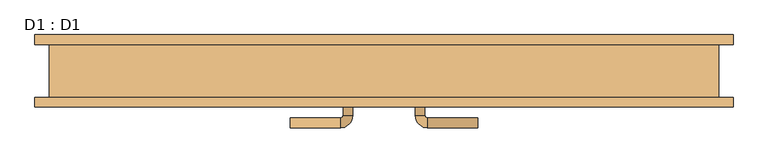
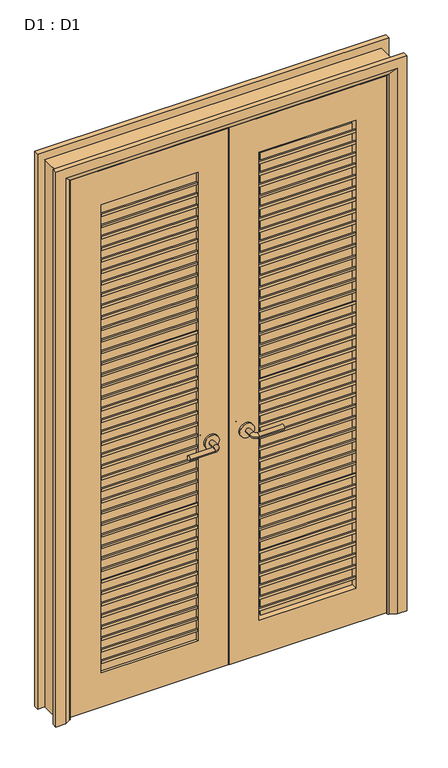
"""IFC4 building model written with IfcOpenShell, lengths in millimetres: door geometry, D1 : D1."""

from ifc_helpers import new_model, si_unit, point, frame, frame_2d, origin, place, context, project, spatial, polyline, circle_curve, ellipse_curve, trimmed, segment, composite_curve, outline, extrude, faceted_brep, source, transform, mapped, element, save
from ifc_brep_helpers import plane_surface, cylinder_surface, revolved_surface, advanced_brep


def d1_d1_94d621b8(model_context):
    return source(origin(), model_context, "Body", "SolidModel", [
        advanced_brep(
        [(-65.0, -30.0, 1007.0), (-85.0, -30.0, 1007.0), (-85.0, 0.0, 1007.0), (-65.0, 0.0, 1007.0), (-90.0, 5.0, 1007.0), (-90.0, 25.0, 1007.0), (-195.0, 25.0, 1007.0), (-195.0, 5.0, 1007.0)],
        [
            (0, 1, circle_curve(frame((-75.0, -30.0, 1007.0), z_axis=(0.0, -1.0, 0.0), x_axis=(-1.0, 0.0, 0.0)), 10.0)),
            (1, 0, circle_curve(frame((-75.0, -30.0, 1007.0), z_axis=(0.0, -1.0, 0.0), x_axis=(-1.0, 0.0, 0.0)), 10.0)),
            (1, 2),
            (2, 3, circle_curve(frame((-75.0, 0.0, 1007.0), z_axis=(0.0, -1.0, 0.0), x_axis=(-1.0, 0.0, 0.0)), 10.0)),
            (3, 0),
            (3, 2, circle_curve(frame((-75.0, 0.0, 1007.0), z_axis=(0.0, -1.0, 0.0), x_axis=(-1.0, 0.0, 0.0)), 10.0)),
            (4, 5, circle_curve(frame((-90.0, 15.0, 1007.0), z_axis=(1.0, 0.0, 0.0), x_axis=(0.0, -1.0, 0.0)), 10.0)),
            (5, 3, circle_curve(frame((-90.0, 0.0, 1007.0), z_axis=(0.0, 0.0, -1.0), x_axis=(1.0, 0.0, 0.0)), 25.0)),
            (2, 4, circle_curve(frame((-90.0, 0.0, 1007.0), z_axis=(0.0, 0.0, 1.0), x_axis=(1.0, 0.0, 0.0)), 5.0)),
            (5, 4, circle_curve(frame((-90.0, 15.0, 1007.0), z_axis=(1.0, 0.0, 0.0), x_axis=(0.0, -1.0, 0.0)), 10.0)),
            (6, 7, circle_curve(frame((-195.0, 15.0, 1007.0), z_axis=(-1.0, 0.0, 0.0), x_axis=(0.0, -1.0, 0.0)), 10.0)),
            (7, 6, circle_curve(frame((-195.0, 15.0, 1007.0), z_axis=(-1.0, 0.0, 0.0), x_axis=(0.0, -1.0, 0.0)), 10.0)),
            (4, 7),
            (6, 5),
        ],
        [
            plane_surface(frame((-75.0, -30.0, 1007.0), z_axis=(0.0, -1.0, 0.0), x_axis=(0.0, 0.0, 1.0))),
            cylinder_surface(frame((-75.0, -30.0, 1007.0), z_axis=(0.0, -1.0, 0.0), x_axis=(-1.0, 0.0, 0.0)), 10.0),
            revolved_surface(trimmed(ellipse_curve(frame((-75.0, 0.0, 1007.0), z_axis=(0.0, 1.0, 0.0), x_axis=(-1.0, 0.0, 0.0)), 10.0, 10.0), [point((-65.0, 0.0, 1007.0))], [point((-85.0, 0.0, 1007.0))], True, "CARTESIAN"), (-90.0, 0.0, 1007.0), (0.0, 0.0, -1.0)),
            revolved_surface(trimmed(ellipse_curve(frame((-75.0, 0.0, 1007.0), z_axis=(0.0, 1.0, 0.0), x_axis=(-1.0, 0.0, 0.0)), 10.0, 10.0), [point((-85.0, 0.0, 1007.0))], [point((-65.0, 0.0, 1007.0))], True, "CARTESIAN"), (-90.0, 0.0, 1007.0), (0.0, 0.0, -1.0)),
            plane_surface(frame((-195.0, 15.0, 1007.0), z_axis=(-1.0, 0.0, 0.0), x_axis=(0.0, 0.0, 1.0))),
            cylinder_surface(frame((-90.0, 15.0, 1007.0), z_axis=(1.0, 0.0, 0.0), x_axis=(0.0, -1.0, 0.0)), 10.0),
        ],
        [
            (0, [[1, 2]]),
            (1, [[3, 4, 5, -2]]),
            (1, [[-5, 6, -3, -1]]),
            (2, [[7, 8, -4, 9]]),
            (3, [[10, -9, -6, -8]]),
            (4, [[11, 12]]),
            (5, [[13, -11, 14, -7]]),
            (5, [[-14, -12, -13, -10]]),
        ],
    ),
        extrude(outline(composite_curve([segment(trimmed(circle_curve(frame_2d((1007.0, -72.5)), 30.0), [point((1007.0, -42.5))], [point((1007.0, -102.5))], False, "CARTESIAN"), True, "CONTINUOUS"), segment(trimmed(circle_curve(frame_2d((1007.0, -72.5)), 30.0), [point((1007.0, -102.5))], [point((1007.0, -42.5))], False, "CARTESIAN"), True, "CONTINUOUS")], self_intersect=False)), frame((0.0, -38.0, 0.0), z_axis=(0.0, 1.0, 0.0), x_axis=(0.0, 0.0, 1.0)), (0.0, 0.0, 1.0), 8.0),
        advanced_brep(
        [(-65.0, -63.0, 1007.0), (-85.0, -63.0, 1007.0), (-65.0, -93.0, 1007.0), (-85.0, -93.0, 1007.0), (-90.0, -98.0, 1007.0), (-90.0, -118.0, 1007.0), (-195.0, -118.0, 1007.0), (-195.0, -98.0, 1007.0)],
        [
            (0, 1, circle_curve(frame((-75.0, -63.0, 1007.0), z_axis=(0.0, 1.0, 0.0), x_axis=(-1.0, 0.0, 0.0)), 10.0)),
            (1, 0, circle_curve(frame((-75.0, -63.0, 1007.0), z_axis=(0.0, 1.0, 0.0), x_axis=(-1.0, 0.0, 0.0)), 10.0)),
            (0, 2),
            (2, 3, circle_curve(frame((-75.0, -93.0, 1007.0), z_axis=(0.0, 1.0, 0.0), x_axis=(-1.0, 0.0, 0.0)), 10.0)),
            (3, 1),
            (3, 2, circle_curve(frame((-75.0, -93.0, 1007.0), z_axis=(0.0, 1.0, 0.0), x_axis=(-1.0, 0.0, 0.0)), 10.0)),
            (4, 3, circle_curve(frame((-90.0, -93.0, 1007.0), z_axis=(0.0, 0.0, 1.0), x_axis=(1.0, 0.0, 0.0)), 5.0)),
            (2, 5, circle_curve(frame((-90.0, -93.0, 1007.0), z_axis=(0.0, 0.0, -1.0), x_axis=(1.0, 0.0, 0.0)), 25.0)),
            (5, 4, circle_curve(frame((-90.0, -108.0, 1007.0), z_axis=(1.0, 0.0, 0.0), x_axis=(0.0, 1.0, 0.0)), 10.0)),
            (4, 5, circle_curve(frame((-90.0, -108.0, 1007.0), z_axis=(1.0, 0.0, 0.0), x_axis=(0.0, 1.0, 0.0)), 10.0)),
            (6, 7, circle_curve(frame((-195.0, -108.0, 1007.0), z_axis=(-1.0, 0.0, 0.0), x_axis=(0.0, 1.0, 0.0)), 10.0)),
            (7, 6, circle_curve(frame((-195.0, -108.0, 1007.0), z_axis=(-1.0, 0.0, 0.0), x_axis=(0.0, 1.0, 0.0)), 10.0)),
            (5, 6),
            (7, 4),
        ],
        [
            plane_surface(frame((-75.0, -63.0, 1007.0), z_axis=(0.0, 1.0, 0.0), x_axis=(0.0, 0.0, 1.0))),
            cylinder_surface(frame((-75.0, -63.0, 1007.0), z_axis=(0.0, 1.0, 0.0), x_axis=(-1.0, 0.0, 0.0)), 10.0),
            revolved_surface(trimmed(ellipse_curve(frame((-75.0, -93.0, 1007.0), z_axis=(0.0, 1.0, 0.0), x_axis=(-1.0, 0.0, 0.0)), 10.0, 10.0), [point((-65.0, -93.0, 1007.0))], [point((-85.0, -93.0, 1007.0))], True, "CARTESIAN"), (-90.0, -93.0, 1007.0), (0.0, 0.0, -1.0)),
            revolved_surface(trimmed(ellipse_curve(frame((-75.0, -93.0, 1007.0), z_axis=(0.0, 1.0, 0.0), x_axis=(-1.0, 0.0, 0.0)), 10.0, 10.0), [point((-85.0, -93.0, 1007.0))], [point((-65.0, -93.0, 1007.0))], True, "CARTESIAN"), (-90.0, -93.0, 1007.0), (0.0, 0.0, -1.0)),
            plane_surface(frame((-195.0, -108.0, 1007.0), z_axis=(-1.0, 0.0, 0.0), x_axis=(0.0, 0.0, 1.0))),
            cylinder_surface(frame((-90.0, -108.0, 1007.0), z_axis=(1.0, 0.0, 0.0), x_axis=(0.0, 1.0, 0.0)), 10.0),
        ],
        [
            (0, [[1, 2]]),
            (1, [[-1, 3, 4, 5]]),
            (1, [[-2, -5, 6, -3]]),
            (2, [[7, -4, 8, 9]]),
            (3, [[-8, -6, -7, 10]]),
            (4, [[11, 12]]),
            (5, [[-9, 13, -12, 14]]),
            (5, [[-10, -14, -11, -13]]),
        ],
    ),
        extrude(outline(composite_curve([segment(trimmed(circle_curve(frame_2d((1007.0, -72.5)), 30.0), [point((1007.0, -42.5))], [point((1007.0, -102.5))], False, "CARTESIAN"), True, "CONTINUOUS"), segment(trimmed(circle_curve(frame_2d((1007.0, -72.5)), 30.0), [point((1007.0, -102.5))], [point((1007.0, -42.5))], False, "CARTESIAN"), True, "CONTINUOUS")], self_intersect=False)), frame((0.0, -63.0, 0.0), z_axis=(0.0, 1.0, 0.0), x_axis=(0.0, 0.0, 1.0)), (0.0, 0.0, 1.0), 8.0),
        advanced_brep(
        [(65.0, -30.0, 1007.0), (85.0, -30.0, 1007.0), (65.0, 0.0, 1007.0), (85.0, 0.0, 1007.0), (90.0, 5.0, 1007.0), (90.0, 25.0, 1007.0), (195.0, 25.0, 1007.0), (195.0, 5.0, 1007.0)],
        [
            (0, 1, circle_curve(frame((75.0, -30.0, 1007.0), z_axis=(0.0, -1.0, 0.0), x_axis=(1.0, 0.0, 0.0)), 10.0)),
            (1, 0, circle_curve(frame((75.0, -30.0, 1007.0), z_axis=(0.0, -1.0, 0.0), x_axis=(1.0, 0.0, 0.0)), 10.0)),
            (0, 2),
            (2, 3, circle_curve(frame((75.0, 0.0, 1007.0), z_axis=(0.0, -1.0, 0.0), x_axis=(1.0, 0.0, 0.0)), 10.0)),
            (3, 1),
            (3, 2, circle_curve(frame((75.0, 0.0, 1007.0), z_axis=(0.0, -1.0, 0.0), x_axis=(1.0, 0.0, 0.0)), 10.0)),
            (4, 3, circle_curve(frame((90.0, 0.0, 1007.0), z_axis=(0.0, 0.0, 1.0), x_axis=(-1.0, 0.0, 0.0)), 5.0)),
            (2, 5, circle_curve(frame((90.0, 0.0, 1007.0), z_axis=(0.0, 0.0, -1.0), x_axis=(-1.0, 0.0, 0.0)), 25.0)),
            (5, 4, circle_curve(frame((90.0, 15.0, 1007.0), z_axis=(-1.0, 0.0, 0.0), x_axis=(0.0, -1.0, 0.0)), 10.0)),
            (4, 5, circle_curve(frame((90.0, 15.0, 1007.0), z_axis=(-1.0, 0.0, 0.0), x_axis=(0.0, -1.0, 0.0)), 10.0)),
            (6, 7, circle_curve(frame((195.0, 15.0, 1007.0), z_axis=(1.0, 0.0, 0.0), x_axis=(0.0, -1.0, 0.0)), 10.0)),
            (7, 6, circle_curve(frame((195.0, 15.0, 1007.0), z_axis=(1.0, 0.0, 0.0), x_axis=(0.0, -1.0, 0.0)), 10.0)),
            (5, 6),
            (7, 4),
        ],
        [
            plane_surface(frame((75.0, -30.0, 1007.0), z_axis=(0.0, -1.0, 0.0), x_axis=(0.0, 0.0, 1.0))),
            cylinder_surface(frame((75.0, -30.0, 1007.0), z_axis=(0.0, -1.0, 0.0), x_axis=(1.0, 0.0, 0.0)), 10.0),
            revolved_surface(trimmed(ellipse_curve(frame((75.0, 0.0, 1007.0), z_axis=(0.0, -1.0, 0.0), x_axis=(1.0, 0.0, 0.0)), 10.0, 10.0), [point((65.0, 0.0, 1007.0))], [point((85.0, 0.0, 1007.0))], True, "CARTESIAN"), (90.0, 0.0, 1007.0), (0.0, 0.0, -1.0)),
            revolved_surface(trimmed(ellipse_curve(frame((75.0, 0.0, 1007.0), z_axis=(0.0, -1.0, 0.0), x_axis=(1.0, 0.0, 0.0)), 10.0, 10.0), [point((85.0, 0.0, 1007.0))], [point((65.0, 0.0, 1007.0))], True, "CARTESIAN"), (90.0, 0.0, 1007.0), (0.0, 0.0, -1.0)),
            plane_surface(frame((195.0, 15.0, 1007.0), z_axis=(1.0, 0.0, 0.0), x_axis=(0.0, 0.0, 1.0))),
            cylinder_surface(frame((90.0, 15.0, 1007.0), z_axis=(-1.0, 0.0, 0.0), x_axis=(0.0, -1.0, 0.0)), 10.0),
        ],
        [
            (0, [[1, 2]]),
            (1, [[-1, 3, 4, 5]]),
            (1, [[-2, -5, 6, -3]]),
            (2, [[7, -4, 8, 9]]),
            (3, [[-8, -6, -7, 10]]),
            (4, [[11, 12]]),
            (5, [[-9, 13, -12, 14]]),
            (5, [[-10, -14, -11, -13]]),
        ],
    ),
        extrude(outline(composite_curve([segment(trimmed(circle_curve(frame_2d((1007.0, 72.5)), 30.0), [point((1007.0, 42.5))], [point((1007.0, 102.5))], False, "CARTESIAN"), True, "CONTINUOUS"), segment(trimmed(circle_curve(frame_2d((1007.0, 72.5)), 30.0), [point((1007.0, 102.5))], [point((1007.0, 42.5))], False, "CARTESIAN"), True, "CONTINUOUS")], self_intersect=False)), frame((0.0, -38.0, 0.0), z_axis=(0.0, 1.0, 0.0), x_axis=(0.0, 0.0, 1.0)), (0.0, 0.0, 1.0), 8.0),
        advanced_brep(
        [(65.0, -63.0, 1007.0), (85.0, -63.0, 1007.0), (85.0, -93.0, 1007.0), (65.0, -93.0, 1007.0), (90.0, -98.0, 1007.0), (90.0, -118.0, 1007.0), (195.0, -118.0, 1007.0), (195.0, -98.0, 1007.0)],
        [
            (0, 1, circle_curve(frame((75.0, -63.0, 1007.0), z_axis=(0.0, 1.0, 0.0), x_axis=(1.0, 0.0, 0.0)), 10.0)),
            (1, 0, circle_curve(frame((75.0, -63.0, 1007.0), z_axis=(0.0, 1.0, 0.0), x_axis=(1.0, 0.0, 0.0)), 10.0)),
            (1, 2),
            (2, 3, circle_curve(frame((75.0, -93.0, 1007.0), z_axis=(0.0, 1.0, 0.0), x_axis=(1.0, 0.0, 0.0)), 10.0)),
            (3, 0),
            (3, 2, circle_curve(frame((75.0, -93.0, 1007.0), z_axis=(0.0, 1.0, 0.0), x_axis=(1.0, 0.0, 0.0)), 10.0)),
            (4, 5, circle_curve(frame((90.0, -108.0, 1007.0), z_axis=(-1.0, 0.0, 0.0), x_axis=(0.0, 1.0, 0.0)), 10.0)),
            (5, 3, circle_curve(frame((90.0, -93.0, 1007.0), z_axis=(0.0, 0.0, -1.0), x_axis=(-1.0, 0.0, 0.0)), 25.0)),
            (2, 4, circle_curve(frame((90.0, -93.0, 1007.0), z_axis=(0.0, 0.0, 1.0), x_axis=(-1.0, 0.0, 0.0)), 5.0)),
            (5, 4, circle_curve(frame((90.0, -108.0, 1007.0), z_axis=(-1.0, 0.0, 0.0), x_axis=(0.0, 1.0, 0.0)), 10.0)),
            (6, 7, circle_curve(frame((195.0, -108.0, 1007.0), z_axis=(1.0, 0.0, 0.0), x_axis=(0.0, 1.0, 0.0)), 10.0)),
            (7, 6, circle_curve(frame((195.0, -108.0, 1007.0), z_axis=(1.0, 0.0, 0.0), x_axis=(0.0, 1.0, 0.0)), 10.0)),
            (4, 7),
            (6, 5),
        ],
        [
            plane_surface(frame((75.0, -63.0, 1007.0), z_axis=(0.0, 1.0, 0.0), x_axis=(0.0, 0.0, 1.0))),
            cylinder_surface(frame((75.0, -63.0, 1007.0), z_axis=(0.0, 1.0, 0.0), x_axis=(1.0, 0.0, 0.0)), 10.0),
            revolved_surface(trimmed(ellipse_curve(frame((75.0, -93.0, 1007.0), z_axis=(0.0, -1.0, 0.0), x_axis=(1.0, 0.0, 0.0)), 10.0, 10.0), [point((65.0, -93.0, 1007.0))], [point((85.0, -93.0, 1007.0))], True, "CARTESIAN"), (90.0, -93.0, 1007.0), (0.0, 0.0, -1.0)),
            revolved_surface(trimmed(ellipse_curve(frame((75.0, -93.0, 1007.0), z_axis=(0.0, -1.0, 0.0), x_axis=(1.0, 0.0, 0.0)), 10.0, 10.0), [point((85.0, -93.0, 1007.0))], [point((65.0, -93.0, 1007.0))], True, "CARTESIAN"), (90.0, -93.0, 1007.0), (0.0, 0.0, -1.0)),
            plane_surface(frame((195.0, -108.0, 1007.0), z_axis=(1.0, 0.0, 0.0), x_axis=(0.0, 0.0, 1.0))),
            cylinder_surface(frame((90.0, -108.0, 1007.0), z_axis=(-1.0, 0.0, 0.0), x_axis=(0.0, 1.0, 0.0)), 10.0),
        ],
        [
            (0, [[1, 2]]),
            (1, [[3, 4, 5, -2]]),
            (1, [[-5, 6, -3, -1]]),
            (2, [[7, 8, -4, 9]]),
            (3, [[10, -9, -6, -8]]),
            (4, [[11, 12]]),
            (5, [[13, -11, 14, -7]]),
            (5, [[-14, -12, -13, -10]]),
        ],
    ),
        extrude(outline(composite_curve([segment(trimmed(circle_curve(frame_2d((1007.0, 72.5)), 30.0), [point((1007.0, 42.5))], [point((1007.0, 102.5))], False, "CARTESIAN"), True, "CONTINUOUS"), segment(trimmed(circle_curve(frame_2d((1007.0, 72.5)), 30.0), [point((1007.0, 102.5))], [point((1007.0, 42.5))], False, "CARTESIAN"), True, "CONTINUOUS")], self_intersect=False)), frame((0.0, -63.0, 0.0), z_axis=(0.0, 1.0, 0.0), x_axis=(0.0, 0.0, 1.0)), (0.0, 0.0, 1.0), 8.0),
        extrude(outline(polyline([(2385.0, -694.5), (0.0, -694.5), (0.0, -654.5), (2350.0, -654.5), (2350.0, 654.5), (0.0, 654.5), (0.0, 694.5), (2385.0, 694.5), (2385.0, -694.5)])), frame((0.0, -55.0, 0.0), z_axis=(0.0, 1.0, 0.0), x_axis=(0.0, 0.0, 1.0)), (0.0, 0.0, 1.0), 110.0),
        advanced_brep(
        [(-724.5, 75.0, 0.0), (-684.5, 75.0, 0.0), (-658.5, 61.0, 0.0), (-654.5, 55.0, 0.0), (-724.5, 55.0, 0.0), (-724.5, 55.0, 2420.0), (-724.5, 75.0, 2420.0), (-654.5, 55.0, 2350.0), (654.5, 55.0, 2350.0), (654.5, 55.0, 0.0), (724.5, 55.0, 0.0), (724.5, 55.0, 2420.0), (-658.5, 61.0, 2354.0), (-684.5, 75.0, 2380.0), (724.5, 75.0, 2420.0), (724.5, 75.0, 0.0), (684.5, 75.0, 0.0), (684.5, 75.0, 2380.0), (658.5, 61.0, 2354.0), (658.5, 61.0, 0.0)],
        [
            (0, 1),
            (1, 2),
            (2, 3, circle_curve(frame((-662.5, 54.0, 0.0), z_axis=(0.0, 0.0, -1.0), x_axis=(-1.0, 0.0, 0.0)), 8.0622577)),
            (3, 4),
            (4, 0),
            (4, 5),
            (5, 6),
            (6, 0),
            (3, 7),
            (7, 8),
            (8, 9),
            (9, 10),
            (10, 11),
            (11, 5),
            (2, 12),
            (12, 7, ellipse_curve(frame((-662.5, 54.0, 2358.0), z_axis=(-0.7071067811865475, 0.0, -0.7071067811865475), x_axis=(0.7071067811865474, 0.0, -0.7071067811865476)), 11.4017543, 8.0622577)),
            (1, 13),
            (13, 12),
            (6, 14),
            (14, 15),
            (15, 16),
            (16, 17),
            (17, 13),
            (11, 14),
            (12, 18),
            (18, 8, ellipse_curve(frame((662.5, 54.0, 2358.0), z_axis=(-0.7071067811865475, 0.0, 0.7071067811865475), x_axis=(-0.7071067811865476, 0.0, -0.7071067811865474)), 11.4017543, 8.0622577)),
            (17, 18),
            (15, 10),
            (9, 19, circle_curve(frame((662.5, 54.0, 0.0), z_axis=(0.0, 0.0, -1.0), x_axis=(1.0, 0.0, 0.0)), 8.0622577)),
            (19, 16),
            (18, 19),
        ],
        [
            plane_surface(frame((-654.5, 55.0, 0.0), z_axis=(0.0, 0.0, -1.0), x_axis=(0.0, 1.0, 0.0))),
            plane_surface(frame((-724.5, 75.0, 0.0), z_axis=(-1.0, 0.0, 0.0), x_axis=(0.0, 0.0, 1.0))),
            plane_surface(frame((-724.5, 55.0, 0.0), z_axis=(0.0, -1.0, 0.0), x_axis=(0.0, 0.0, 1.0))),
            cylinder_surface(frame((-662.5, 54.0, 0.0), z_axis=(0.0, 0.0, -1.0), x_axis=(-1.0, 0.0, 0.0)), 8.0622577),
            plane_surface(frame((-658.5, 61.0, 0.0), z_axis=(0.4740998230350183, 0.8804710999221749, 0.0), x_axis=(0.0, 0.0, 1.0))),
            plane_surface(frame((-684.5, 75.0, 0.0), z_axis=(0.0, 1.0, 0.0), x_axis=(0.0, 0.0, 1.0))),
            plane_surface(frame((-724.5, 75.0, 2420.0), z_axis=(0.0, 0.0, 1.0), x_axis=(1.0, 0.0, 0.0))),
            cylinder_surface(frame((-654.5, 54.0, 2358.0), z_axis=(-1.0, 0.0, 0.0), x_axis=(0.0, 0.0, 1.0)), 8.0622577),
            plane_surface(frame((-658.5, 61.0, 2354.0), z_axis=(0.0, 0.8804710999221749, -0.4740998230350183), x_axis=(1.0, 0.0, 0.0))),
            plane_surface(frame((654.5, 55.0, 0.0), z_axis=(0.0, 0.0, -1.0), x_axis=(0.0, 1.0, 0.0))),
            plane_surface(frame((724.5, 75.0, 2420.0), z_axis=(1.0, 0.0, 0.0), x_axis=(0.0, 0.0, -1.0))),
            cylinder_surface(frame((662.5, 54.0, 2350.0), z_axis=(0.0, 0.0, 1.0), x_axis=(1.0, 0.0, 0.0)), 8.0622577),
            plane_surface(frame((658.5, 61.0, 2354.0), z_axis=(-0.4740998230350183, 0.8804710999221749, 0.0), x_axis=(0.0, 0.0, -1.0))),
        ],
        [
            (0, [[1, 2, 3, 4, 5]]),
            (1, [[6, 7, 8, -5]]),
            (2, [[9, 10, 11, 12, 13, 14, -6, -4]]),
            (3, [[15, 16, -9, -3]]),
            (4, [[17, 18, -15, -2]]),
            (5, [[-8, 19, 20, 21, 22, 23, -17, -1]]),
            (6, [[-14, 24, -19, -7]]),
            (7, [[25, 26, -10, -16]]),
            (8, [[-23, 27, -25, -18]]),
            (9, [[28, -12, 29, 30, -21]]),
            (10, [[-13, -28, -20, -24]]),
            (11, [[31, -29, -11, -26]]),
            (12, [[-22, -30, -31, -27]]),
        ],
    ),
        advanced_brep(
        [(724.5, -75.0, 0.0), (684.5, -75.0, 0.0), (658.5, -61.0, 0.0), (654.5, -55.0, 0.0), (724.5, -55.0, 0.0), (724.5, -55.0, 2420.0), (724.5, -75.0, 2420.0), (654.5, -55.0, 2350.0), (-654.5, -55.0, 2350.0), (-654.5, -55.0, 0.0), (-724.5, -55.0, 0.0), (-724.5, -55.0, 2420.0), (658.5, -61.0, 2354.0), (684.5, -75.0, 2380.0), (-724.5, -75.0, 2420.0), (-724.5, -75.0, 0.0), (-684.5, -75.0, 0.0), (-684.5, -75.0, 2380.0), (-658.5, -61.0, 2354.0), (-658.5, -61.0, 0.0)],
        [
            (0, 1),
            (1, 2),
            (2, 3, circle_curve(frame((662.5, -54.0, 0.0), z_axis=(0.0, 0.0, -1.0), x_axis=(1.0, 0.0, 0.0)), 8.0622577)),
            (3, 4),
            (4, 0),
            (4, 5),
            (5, 6),
            (6, 0),
            (3, 7),
            (7, 8),
            (8, 9),
            (9, 10),
            (10, 11),
            (11, 5),
            (2, 12),
            (12, 7, ellipse_curve(frame((662.5, -54.0, 2358.0), z_axis=(0.7071067811865475, 0.0, -0.7071067811865475), x_axis=(-0.7071067811865474, 0.0, -0.7071067811865476)), 11.4017543, 8.0622577)),
            (1, 13),
            (13, 12),
            (6, 14),
            (14, 15),
            (15, 16),
            (16, 17),
            (17, 13),
            (11, 14),
            (12, 18),
            (18, 8, ellipse_curve(frame((-662.5, -54.0, 2358.0), z_axis=(0.7071067811865475, 0.0, 0.7071067811865475), x_axis=(0.7071067811865476, 0.0, -0.7071067811865474)), 11.4017543, 8.0622577)),
            (17, 18),
            (15, 10),
            (9, 19, circle_curve(frame((-662.5, -54.0, 0.0), z_axis=(0.0, 0.0, -1.0), x_axis=(-1.0, 0.0, 0.0)), 8.0622577)),
            (19, 16),
            (18, 19),
        ],
        [
            plane_surface(frame((654.5, -55.0, 0.0), z_axis=(0.0, 0.0, -1.0), x_axis=(0.0, 1.0, 0.0))),
            plane_surface(frame((724.5, -75.0, 0.0), z_axis=(1.0, 0.0, 0.0), x_axis=(0.0, 0.0, 1.0))),
            plane_surface(frame((724.5, -55.0, 0.0), z_axis=(0.0, 1.0, 0.0), x_axis=(0.0, 0.0, 1.0))),
            cylinder_surface(frame((662.5, -54.0, 0.0), z_axis=(0.0, 0.0, -1.0), x_axis=(1.0, 0.0, 0.0)), 8.0622577),
            plane_surface(frame((658.5, -61.0, 0.0), z_axis=(-0.4740998230350126, -0.8804710999221779, 0.0), x_axis=(0.0, 0.0, 1.0))),
            plane_surface(frame((684.5, -75.0, 0.0), z_axis=(0.0, -1.0, 0.0), x_axis=(0.0, 0.0, 1.0))),
            plane_surface(frame((724.5, -75.0, 2420.0), z_axis=(0.0, 0.0, 1.0), x_axis=(-1.0, 0.0, 0.0))),
            cylinder_surface(frame((654.5, -54.0, 2358.0), z_axis=(1.0, 0.0, 0.0), x_axis=(0.0, 0.0, 1.0)), 8.0622577),
            plane_surface(frame((658.5, -61.0, 2354.0), z_axis=(0.0, -0.8804710999221763, -0.4740998230350154), x_axis=(-1.0, 0.0, 0.0))),
            plane_surface(frame((-654.5, -55.0, 0.0), z_axis=(0.0, 0.0, -1.0), x_axis=(0.0, 1.0, 0.0))),
            plane_surface(frame((-724.5, -75.0, 2420.0), z_axis=(-1.0, 0.0, 0.0), x_axis=(0.0, 0.0, -1.0))),
            cylinder_surface(frame((-662.5, -54.0, 2350.0), z_axis=(0.0, 0.0, 1.0), x_axis=(-1.0, 0.0, 0.0)), 8.0622577),
            plane_surface(frame((-658.5, -61.0, 2354.0), z_axis=(0.4740998230350183, -0.8804710999221749, 0.0), x_axis=(0.0, 0.0, -1.0))),
        ],
        [
            (0, [[1, 2, 3, 4, 5]]),
            (1, [[6, 7, 8, -5]]),
            (2, [[9, 10, 11, 12, 13, 14, -6, -4]]),
            (3, [[15, 16, -9, -3]]),
            (4, [[17, 18, -15, -2]]),
            (5, [[-8, 19, 20, 21, 22, 23, -17, -1]]),
            (6, [[-14, 24, -19, -7]]),
            (7, [[25, 26, -10, -16]]),
            (8, [[-23, 27, -25, -18]]),
            (9, [[28, -12, 29, 30, -21]]),
            (10, [[-13, -28, -20, -24]]),
            (11, [[31, -29, -11, -26]]),
            (12, [[-22, -30, -31, -27]]),
        ],
    ),
        faceted_brep([(-639.5, -42.0, 0.0), (-654.5, -42.0, 0.0), (-654.5, -10.0, 0.0), (-639.5, -10.0, 0.0), (-639.5, -10.0, 2335.0), (-639.5, -42.0, 2335.0), (-654.5, -10.0, 2350.0), (-654.5, -42.0, 2350.0), (639.5, -10.0, 2335.0), (639.5, -42.0, 2335.0), (654.5, -10.0, 2350.0), (654.5, -42.0, 2350.0), (639.5, -42.0, 0.0), (639.5, -10.0, 0.0), (654.5, -10.0, 0.0), (654.5, -42.0, 0.0)], [[[0, 1, 2, 3]], [[3, 4, 5, 0]], [[2, 6, 4, 3]], [[1, 7, 6, 2]], [[0, 5, 7, 1]], [[4, 8, 9, 5]], [[6, 10, 8, 4]], [[7, 11, 10, 6]], [[5, 9, 11, 7]], [[12, 13, 14, 15]], [[8, 13, 12, 9]], [[10, 14, 13, 8]], [[11, 15, 14, 10]], [[9, 12, 15, 11]]]),
        extrude(outline(polyline([(-526.5, -55.0), (-526.5, -48.0), (-126.5, -48.0), (-126.5, -55.0), (-526.5, -55.0)])), frame((0.0, 0.0, 2045.753223), z_axis=(0.0, 0.0, 1.0), x_axis=(1.0, 0.0, 0.0)), (0.0, 0.0, 1.0), 10.0),
        extrude(outline(polyline([(-526.5, -55.0), (-526.5, -48.0), (-126.5, -48.0), (-126.5, -55.0), (-526.5, -55.0)])), frame((0.0, 0.0, 1995.753223), z_axis=(0.0, 0.0, 1.0), x_axis=(1.0, 0.0, 0.0)), (0.0, 0.0, 1.0), 10.0),
        extrude(outline(polyline([(-526.5, -55.0), (-526.5, -48.0), (-126.5, -48.0), (-126.5, -55.0), (-526.5, -55.0)])), frame((0.0, 0.0, 1945.753223), z_axis=(0.0, 0.0, 1.0), x_axis=(1.0, 0.0, 0.0)), (0.0, 0.0, 1.0), 10.0),
        extrude(outline(polyline([(-526.5, -55.0), (-526.5, -48.0), (-126.5, -48.0), (-126.5, -55.0), (-526.5, -55.0)])), frame((0.0, 0.0, 1895.753223), z_axis=(0.0, 0.0, 1.0), x_axis=(1.0, 0.0, 0.0)), (0.0, 0.0, 1.0), 10.0),
        extrude(outline(polyline([(-526.5, -55.0), (-526.5, -48.0), (-126.5, -48.0), (-126.5, -55.0), (-526.5, -55.0)])), frame((0.0, 0.0, 1845.753223), z_axis=(0.0, 0.0, 1.0), x_axis=(1.0, 0.0, 0.0)), (0.0, 0.0, 1.0), 10.0),
        extrude(outline(polyline([(-526.5, -55.0), (-526.5, -48.0), (-126.5, -48.0), (-126.5, -55.0), (-526.5, -55.0)])), frame((0.0, 0.0, 1795.753223), z_axis=(0.0, 0.0, 1.0), x_axis=(1.0, 0.0, 0.0)), (0.0, 0.0, 1.0), 10.0),
        extrude(outline(polyline([(-526.5, -55.0), (-526.5, -48.0), (-126.5, -48.0), (-126.5, -55.0), (-526.5, -55.0)])), frame((0.0, 0.0, 1745.753223), z_axis=(0.0, 0.0, 1.0), x_axis=(1.0, 0.0, 0.0)), (0.0, 0.0, 1.0), 10.0),
        extrude(outline(polyline([(-526.5, -55.0), (-526.5, -48.0), (-126.5, -48.0), (-126.5, -55.0), (-526.5, -55.0)])), frame((0.0, 0.0, 1695.753223), z_axis=(0.0, 0.0, 1.0), x_axis=(1.0, 0.0, 0.0)), (0.0, 0.0, 1.0), 10.0),
        extrude(outline(polyline([(-526.5, -55.0), (-526.5, -48.0), (-126.5, -48.0), (-126.5, -55.0), (-526.5, -55.0)])), frame((0.0, 0.0, 1645.753223), z_axis=(0.0, 0.0, 1.0), x_axis=(1.0, 0.0, 0.0)), (0.0, 0.0, 1.0), 10.0),
        extrude(outline(polyline([(-526.5, -55.0), (-526.5, -48.0), (-126.5, -48.0), (-126.5, -55.0), (-526.5, -55.0)])), frame((0.0, 0.0, 1595.753223), z_axis=(0.0, 0.0, 1.0), x_axis=(1.0, 0.0, 0.0)), (0.0, 0.0, 1.0), 10.0),
        extrude(outline(polyline([(-526.5, -55.0), (-526.5, -48.0), (-126.5, -48.0), (-126.5, -55.0), (-526.5, -55.0)])), frame((0.0, 0.0, 1545.753223), z_axis=(0.0, 0.0, 1.0), x_axis=(1.0, 0.0, 0.0)), (0.0, 0.0, 1.0), 10.0),
        extrude(outline(polyline([(-526.5, -55.0), (-526.5, -48.0), (-126.5, -48.0), (-126.5, -55.0), (-526.5, -55.0)])), frame((0.0, 0.0, 1495.753223), z_axis=(0.0, 0.0, 1.0), x_axis=(1.0, 0.0, 0.0)), (0.0, 0.0, 1.0), 10.0),
        extrude(outline(polyline([(-526.5, -55.0), (-526.5, -48.0), (-126.5, -48.0), (-126.5, -55.0), (-526.5, -55.0)])), frame((0.0, 0.0, 1445.753223), z_axis=(0.0, 0.0, 1.0), x_axis=(1.0, 0.0, 0.0)), (0.0, 0.0, 1.0), 10.0),
        extrude(outline(polyline([(-526.5, -55.0), (-526.5, -48.0), (-126.5, -48.0), (-126.5, -55.0), (-526.5, -55.0)])), frame((0.0, 0.0, 1395.753223), z_axis=(0.0, 0.0, 1.0), x_axis=(1.0, 0.0, 0.0)), (0.0, 0.0, 1.0), 10.0),
        extrude(outline(polyline([(-526.5, -55.0), (-526.5, -48.0), (-126.5, -48.0), (-126.5, -55.0), (-526.5, -55.0)])), frame((0.0, 0.0, 1345.753223), z_axis=(0.0, 0.0, 1.0), x_axis=(1.0, 0.0, 0.0)), (0.0, 0.0, 1.0), 10.0),
        extrude(outline(polyline([(-526.5, -55.0), (-526.5, -48.0), (-126.5, -48.0), (-126.5, -55.0), (-526.5, -55.0)])), frame((0.0, 0.0, 1295.753223), z_axis=(0.0, 0.0, 1.0), x_axis=(1.0, 0.0, 0.0)), (0.0, 0.0, 1.0), 10.0),
        extrude(outline(polyline([(-526.5, -55.0), (-526.5, -48.0), (-126.5, -48.0), (-126.5, -55.0), (-526.5, -55.0)])), frame((0.0, 0.0, 1245.753223), z_axis=(0.0, 0.0, 1.0), x_axis=(1.0, 0.0, 0.0)), (0.0, 0.0, 1.0), 10.0),
        extrude(outline(polyline([(-526.5, -55.0), (-526.5, -48.0), (-126.5, -48.0), (-126.5, -55.0), (-526.5, -55.0)])), frame((0.0, 0.0, 1195.753223), z_axis=(0.0, 0.0, 1.0), x_axis=(1.0, 0.0, 0.0)), (0.0, 0.0, 1.0), 10.0),
        extrude(outline(polyline([(-526.5, -55.0), (-526.5, -48.0), (-126.5, -48.0), (-126.5, -55.0), (-526.5, -55.0)])), frame((0.0, 0.0, 1145.753223), z_axis=(0.0, 0.0, 1.0), x_axis=(1.0, 0.0, 0.0)), (0.0, 0.0, 1.0), 10.0),
        extrude(outline(polyline([(-526.5, -55.0), (-526.5, -48.0), (-126.5, -48.0), (-126.5, -55.0), (-526.5, -55.0)])), frame((0.0, 0.0, 1095.753223), z_axis=(0.0, 0.0, 1.0), x_axis=(1.0, 0.0, 0.0)), (0.0, 0.0, 1.0), 10.0),
        extrude(outline(polyline([(-526.5, -55.0), (-526.5, -48.0), (-126.5, -48.0), (-126.5, -55.0), (-526.5, -55.0)])), frame((0.0, 0.0, 1045.753223), z_axis=(0.0, 0.0, 1.0), x_axis=(1.0, 0.0, 0.0)), (0.0, 0.0, 1.0), 10.0),
        extrude(outline(polyline([(-526.5, -55.0), (-526.5, -48.0), (-126.5, -48.0), (-126.5, -55.0), (-526.5, -55.0)])), frame((0.0, 0.0, 995.753223), z_axis=(0.0, 0.0, 1.0), x_axis=(1.0, 0.0, 0.0)), (0.0, 0.0, 1.0), 10.0),
        extrude(outline(polyline([(-526.5, -55.0), (-526.5, -48.0), (-126.5, -48.0), (-126.5, -55.0), (-526.5, -55.0)])), frame((0.0, 0.0, 945.753223), z_axis=(0.0, 0.0, 1.0), x_axis=(1.0, 0.0, 0.0)), (0.0, 0.0, 1.0), 10.0),
        extrude(outline(polyline([(-526.5, -55.0), (-526.5, -48.0), (-126.5, -48.0), (-126.5, -55.0), (-526.5, -55.0)])), frame((0.0, 0.0, 895.753223), z_axis=(0.0, 0.0, 1.0), x_axis=(1.0, 0.0, 0.0)), (0.0, 0.0, 1.0), 10.0),
        extrude(outline(polyline([(-526.5, -55.0), (-526.5, -48.0), (-126.5, -48.0), (-126.5, -55.0), (-526.5, -55.0)])), frame((0.0, 0.0, 845.753223), z_axis=(0.0, 0.0, 1.0), x_axis=(1.0, 0.0, 0.0)), (0.0, 0.0, 1.0), 10.0),
        extrude(outline(polyline([(-526.5, -55.0), (-526.5, -48.0), (-126.5, -48.0), (-126.5, -55.0), (-526.5, -55.0)])), frame((0.0, 0.0, 795.753223), z_axis=(0.0, 0.0, 1.0), x_axis=(1.0, 0.0, 0.0)), (0.0, 0.0, 1.0), 10.0),
        extrude(outline(polyline([(-526.5, -55.0), (-526.5, -48.0), (-126.5, -48.0), (-126.5, -55.0), (-526.5, -55.0)])), frame((0.0, 0.0, 745.753223), z_axis=(0.0, 0.0, 1.0), x_axis=(1.0, 0.0, 0.0)), (0.0, 0.0, 1.0), 10.0),
        extrude(outline(polyline([(-526.5, -55.0), (-526.5, -48.0), (-126.5, -48.0), (-126.5, -55.0), (-526.5, -55.0)])), frame((0.0, 0.0, 695.753223), z_axis=(0.0, 0.0, 1.0), x_axis=(1.0, 0.0, 0.0)), (0.0, 0.0, 1.0), 10.0),
        extrude(outline(polyline([(-526.5, -55.0), (-526.5, -48.0), (-126.5, -48.0), (-126.5, -55.0), (-526.5, -55.0)])), frame((0.0, 0.0, 645.753223), z_axis=(0.0, 0.0, 1.0), x_axis=(1.0, 0.0, 0.0)), (0.0, 0.0, 1.0), 10.0),
        extrude(outline(polyline([(-526.5, -55.0), (-526.5, -48.0), (-126.5, -48.0), (-126.5, -55.0), (-526.5, -55.0)])), frame((0.0, 0.0, 595.753223), z_axis=(0.0, 0.0, 1.0), x_axis=(1.0, 0.0, 0.0)), (0.0, 0.0, 1.0), 10.0),
        extrude(outline(polyline([(-526.5, -55.0), (-526.5, -48.0), (-126.5, -48.0), (-126.5, -55.0), (-526.5, -55.0)])), frame((0.0, 0.0, 545.753223), z_axis=(0.0, 0.0, 1.0), x_axis=(1.0, 0.0, 0.0)), (0.0, 0.0, 1.0), 10.0),
        extrude(outline(polyline([(-526.5, -55.0), (-526.5, -48.0), (-126.5, -48.0), (-126.5, -55.0), (-526.5, -55.0)])), frame((0.0, 0.0, 495.753223), z_axis=(0.0, 0.0, 1.0), x_axis=(1.0, 0.0, 0.0)), (0.0, 0.0, 1.0), 10.0),
        extrude(outline(polyline([(-526.5, -55.0), (-526.5, -48.0), (-126.5, -48.0), (-126.5, -55.0), (-526.5, -55.0)])), frame((0.0, 0.0, 445.753223), z_axis=(0.0, 0.0, 1.0), x_axis=(1.0, 0.0, 0.0)), (0.0, 0.0, 1.0), 10.0),
        extrude(outline(polyline([(-526.5, -55.0), (-526.5, -48.0), (-126.5, -48.0), (-126.5, -55.0), (-526.5, -55.0)])), frame((0.0, 0.0, 395.753223), z_axis=(0.0, 0.0, 1.0), x_axis=(1.0, 0.0, 0.0)), (0.0, 0.0, 1.0), 10.0),
        extrude(outline(polyline([(-526.5, -55.0), (-526.5, -48.0), (-126.5, -48.0), (-126.5, -55.0), (-526.5, -55.0)])), frame((0.0, 0.0, 345.753223), z_axis=(0.0, 0.0, 1.0), x_axis=(1.0, 0.0, 0.0)), (0.0, 0.0, 1.0), 10.0),
        extrude(outline(polyline([(-526.5, -55.0), (-526.5, -48.0), (-126.5, -48.0), (-126.5, -55.0), (-526.5, -55.0)])), frame((0.0, 0.0, 295.753223), z_axis=(0.0, 0.0, 1.0), x_axis=(1.0, 0.0, 0.0)), (0.0, 0.0, 1.0), 10.0),
        extrude(outline(polyline([(-526.5, -55.0), (-526.5, -48.0), (-126.5, -48.0), (-126.5, -55.0), (-526.5, -55.0)])), frame((0.0, 0.0, 245.753223), z_axis=(0.0, 0.0, 1.0), x_axis=(1.0, 0.0, 0.0)), (0.0, 0.0, 1.0), 10.0),
        extrude(outline(polyline([(-526.5, -55.0), (-526.5, -48.0), (-126.5, -48.0), (-126.5, -55.0), (-526.5, -55.0)])), frame((0.0, 0.0, 195.753223), z_axis=(0.0, 0.0, 1.0), x_axis=(1.0, 0.0, 0.0)), (0.0, 0.0, 1.0), 10.0),
        extrude(outline(polyline([(-526.5, -55.0), (-526.5, -48.0), (-126.5, -48.0), (-126.5, -55.0), (-526.5, -55.0)])), frame((0.0, 0.0, 2095.753223), z_axis=(0.0, 0.0, 1.0), x_axis=(1.0, 0.0, 0.0)), (0.0, 0.0, 1.0), 10.0),
        extrude(outline(polyline([(-526.5, -55.0), (-526.5, -48.0), (-126.5, -48.0), (-126.5, -55.0), (-526.5, -55.0)])), frame((0.0, 0.0, 2144.506446), z_axis=(0.0, 0.0, 1.0), x_axis=(1.0, 0.0, 0.0)), (0.0, 0.0, 1.0), 10.0),
        extrude(outline(polyline([(126.5, -55.0), (126.5, -48.0), (526.5, -48.0), (526.5, -55.0), (126.5, -55.0)])), frame((0.0, 0.0, 2044.506446), z_axis=(0.0, 0.0, 1.0), x_axis=(1.0, 0.0, 0.0)), (0.0, 0.0, 1.0), 10.0),
        extrude(outline(polyline([(126.5, -55.0), (126.5, -48.0), (526.5, -48.0), (526.5, -55.0), (126.5, -55.0)])), frame((0.0, 0.0, 1995.753223), z_axis=(0.0, 0.0, 1.0), x_axis=(1.0, 0.0, 0.0)), (0.0, 0.0, 1.0), 10.0),
        extrude(outline(polyline([(126.5, -55.0), (126.5, -48.0), (526.5, -48.0), (526.5, -55.0), (126.5, -55.0)])), frame((0.0, 0.0, 1945.753223), z_axis=(0.0, 0.0, 1.0), x_axis=(1.0, 0.0, 0.0)), (0.0, 0.0, 1.0), 10.0),
        extrude(outline(polyline([(126.5, -55.0), (126.5, -48.0), (526.5, -48.0), (526.5, -55.0), (126.5, -55.0)])), frame((0.0, 0.0, 1895.753223), z_axis=(0.0, 0.0, 1.0), x_axis=(1.0, 0.0, 0.0)), (0.0, 0.0, 1.0), 10.0),
        extrude(outline(polyline([(126.5, -55.0), (126.5, -48.0), (526.5, -48.0), (526.5, -55.0), (126.5, -55.0)])), frame((0.0, 0.0, 1845.753223), z_axis=(0.0, 0.0, 1.0), x_axis=(1.0, 0.0, 0.0)), (0.0, 0.0, 1.0), 10.0),
        extrude(outline(polyline([(126.5, -55.0), (126.5, -48.0), (526.5, -48.0), (526.5, -55.0), (126.5, -55.0)])), frame((0.0, 0.0, 1795.753223), z_axis=(0.0, 0.0, 1.0), x_axis=(1.0, 0.0, 0.0)), (0.0, 0.0, 1.0), 10.0),
        extrude(outline(polyline([(126.5, -55.0), (126.5, -48.0), (526.5, -48.0), (526.5, -55.0), (126.5, -55.0)])), frame((0.0, 0.0, 1745.753223), z_axis=(0.0, 0.0, 1.0), x_axis=(1.0, 0.0, 0.0)), (0.0, 0.0, 1.0), 10.0),
        extrude(outline(polyline([(126.5, -55.0), (126.5, -48.0), (526.5, -48.0), (526.5, -55.0), (126.5, -55.0)])), frame((0.0, 0.0, 1695.753223), z_axis=(0.0, 0.0, 1.0), x_axis=(1.0, 0.0, 0.0)), (0.0, 0.0, 1.0), 10.0),
        extrude(outline(polyline([(126.5, -55.0), (126.5, -48.0), (526.5, -48.0), (526.5, -55.0), (126.5, -55.0)])), frame((0.0, 0.0, 1645.753223), z_axis=(0.0, 0.0, 1.0), x_axis=(1.0, 0.0, 0.0)), (0.0, 0.0, 1.0), 10.0),
        extrude(outline(polyline([(126.5, -55.0), (126.5, -48.0), (526.5, -48.0), (526.5, -55.0), (126.5, -55.0)])), frame((0.0, 0.0, 1595.753223), z_axis=(0.0, 0.0, 1.0), x_axis=(1.0, 0.0, 0.0)), (0.0, 0.0, 1.0), 10.0),
        extrude(outline(polyline([(126.5, -55.0), (126.5, -48.0), (526.5, -48.0), (526.5, -55.0), (126.5, -55.0)])), frame((0.0, 0.0, 1545.753223), z_axis=(0.0, 0.0, 1.0), x_axis=(1.0, 0.0, 0.0)), (0.0, 0.0, 1.0), 10.0),
        extrude(outline(polyline([(126.5, -55.0), (126.5, -48.0), (526.5, -48.0), (526.5, -55.0), (126.5, -55.0)])), frame((0.0, 0.0, 1495.753223), z_axis=(0.0, 0.0, 1.0), x_axis=(1.0, 0.0, 0.0)), (0.0, 0.0, 1.0), 10.0),
        extrude(outline(polyline([(126.5, -55.0), (126.5, -48.0), (526.5, -48.0), (526.5, -55.0), (126.5, -55.0)])), frame((0.0, 0.0, 1445.753223), z_axis=(0.0, 0.0, 1.0), x_axis=(1.0, 0.0, 0.0)), (0.0, 0.0, 1.0), 10.0),
        extrude(outline(polyline([(126.5, -55.0), (126.5, -48.0), (526.5, -48.0), (526.5, -55.0), (126.5, -55.0)])), frame((0.0, 0.0, 1395.753223), z_axis=(0.0, 0.0, 1.0), x_axis=(1.0, 0.0, 0.0)), (0.0, 0.0, 1.0), 10.0),
        extrude(outline(polyline([(126.5, -55.0), (126.5, -48.0), (526.5, -48.0), (526.5, -55.0), (126.5, -55.0)])), frame((0.0, 0.0, 1345.753223), z_axis=(0.0, 0.0, 1.0), x_axis=(1.0, 0.0, 0.0)), (0.0, 0.0, 1.0), 10.0),
        extrude(outline(polyline([(126.5, -55.0), (126.5, -48.0), (526.5, -48.0), (526.5, -55.0), (126.5, -55.0)])), frame((0.0, 0.0, 1295.753223), z_axis=(0.0, 0.0, 1.0), x_axis=(1.0, 0.0, 0.0)), (0.0, 0.0, 1.0), 10.0),
        extrude(outline(polyline([(126.5, -55.0), (126.5, -48.0), (526.5, -48.0), (526.5, -55.0), (126.5, -55.0)])), frame((0.0, 0.0, 1245.753223), z_axis=(0.0, 0.0, 1.0), x_axis=(1.0, 0.0, 0.0)), (0.0, 0.0, 1.0), 10.0),
        extrude(outline(polyline([(126.5, -55.0), (126.5, -48.0), (526.5, -48.0), (526.5, -55.0), (126.5, -55.0)])), frame((0.0, 0.0, 1195.753223), z_axis=(0.0, 0.0, 1.0), x_axis=(1.0, 0.0, 0.0)), (0.0, 0.0, 1.0), 10.0),
        extrude(outline(polyline([(126.5, -55.0), (126.5, -48.0), (526.5, -48.0), (526.5, -55.0), (126.5, -55.0)])), frame((0.0, 0.0, 1145.753223), z_axis=(0.0, 0.0, 1.0), x_axis=(1.0, 0.0, 0.0)), (0.0, 0.0, 1.0), 10.0),
        extrude(outline(polyline([(126.5, -55.0), (126.5, -48.0), (526.5, -48.0), (526.5, -55.0), (126.5, -55.0)])), frame((0.0, 0.0, 1095.753223), z_axis=(0.0, 0.0, 1.0), x_axis=(1.0, 0.0, 0.0)), (0.0, 0.0, 1.0), 10.0),
        extrude(outline(polyline([(126.5, -55.0), (126.5, -48.0), (526.5, -48.0), (526.5, -55.0), (126.5, -55.0)])), frame((0.0, 0.0, 1045.753223), z_axis=(0.0, 0.0, 1.0), x_axis=(1.0, 0.0, 0.0)), (0.0, 0.0, 1.0), 10.0),
        extrude(outline(polyline([(126.5, -55.0), (126.5, -48.0), (526.5, -48.0), (526.5, -55.0), (126.5, -55.0)])), frame((0.0, 0.0, 995.753223), z_axis=(0.0, 0.0, 1.0), x_axis=(1.0, 0.0, 0.0)), (0.0, 0.0, 1.0), 10.0),
        extrude(outline(polyline([(126.5, -55.0), (126.5, -48.0), (526.5, -48.0), (526.5, -55.0), (126.5, -55.0)])), frame((0.0, 0.0, 945.753223), z_axis=(0.0, 0.0, 1.0), x_axis=(1.0, 0.0, 0.0)), (0.0, 0.0, 1.0), 10.0),
        extrude(outline(polyline([(126.5, -55.0), (126.5, -48.0), (526.5, -48.0), (526.5, -55.0), (126.5, -55.0)])), frame((0.0, 0.0, 895.753223), z_axis=(0.0, 0.0, 1.0), x_axis=(1.0, 0.0, 0.0)), (0.0, 0.0, 1.0), 10.0),
        extrude(outline(polyline([(126.5, -55.0), (126.5, -48.0), (526.5, -48.0), (526.5, -55.0), (126.5, -55.0)])), frame((0.0, 0.0, 845.753223), z_axis=(0.0, 0.0, 1.0), x_axis=(1.0, 0.0, 0.0)), (0.0, 0.0, 1.0), 10.0),
        extrude(outline(polyline([(126.5, -55.0), (126.5, -48.0), (526.5, -48.0), (526.5, -55.0), (126.5, -55.0)])), frame((0.0, 0.0, 795.753223), z_axis=(0.0, 0.0, 1.0), x_axis=(1.0, 0.0, 0.0)), (0.0, 0.0, 1.0), 10.0),
        extrude(outline(polyline([(126.5, -55.0), (126.5, -48.0), (526.5, -48.0), (526.5, -55.0), (126.5, -55.0)])), frame((0.0, 0.0, 745.753223), z_axis=(0.0, 0.0, 1.0), x_axis=(1.0, 0.0, 0.0)), (0.0, 0.0, 1.0), 10.0),
        extrude(outline(polyline([(126.5, -55.0), (126.5, -48.0), (526.5, -48.0), (526.5, -55.0), (126.5, -55.0)])), frame((0.0, 0.0, 695.753223), z_axis=(0.0, 0.0, 1.0), x_axis=(1.0, 0.0, 0.0)), (0.0, 0.0, 1.0), 10.0),
        extrude(outline(polyline([(126.5, -55.0), (126.5, -48.0), (526.5, -48.0), (526.5, -55.0), (126.5, -55.0)])), frame((0.0, 0.0, 645.753223), z_axis=(0.0, 0.0, 1.0), x_axis=(1.0, 0.0, 0.0)), (0.0, 0.0, 1.0), 10.0),
        extrude(outline(polyline([(126.5, -55.0), (126.5, -48.0), (526.5, -48.0), (526.5, -55.0), (126.5, -55.0)])), frame((0.0, 0.0, 595.753223), z_axis=(0.0, 0.0, 1.0), x_axis=(1.0, 0.0, 0.0)), (0.0, 0.0, 1.0), 10.0),
        extrude(outline(polyline([(126.5, -55.0), (126.5, -48.0), (526.5, -48.0), (526.5, -55.0), (126.5, -55.0)])), frame((0.0, 0.0, 545.753223), z_axis=(0.0, 0.0, 1.0), x_axis=(1.0, 0.0, 0.0)), (0.0, 0.0, 1.0), 10.0),
        extrude(outline(polyline([(126.5, -55.0), (126.5, -48.0), (526.5, -48.0), (526.5, -55.0), (126.5, -55.0)])), frame((0.0, 0.0, 495.753223), z_axis=(0.0, 0.0, 1.0), x_axis=(1.0, 0.0, 0.0)), (0.0, 0.0, 1.0), 10.0),
        extrude(outline(polyline([(126.5, -55.0), (126.5, -48.0), (526.5, -48.0), (526.5, -55.0), (126.5, -55.0)])), frame((0.0, 0.0, 445.753223), z_axis=(0.0, 0.0, 1.0), x_axis=(1.0, 0.0, 0.0)), (0.0, 0.0, 1.0), 10.0),
        extrude(outline(polyline([(126.5, -55.0), (126.5, -48.0), (526.5, -48.0), (526.5, -55.0), (126.5, -55.0)])), frame((0.0, 0.0, 395.753223), z_axis=(0.0, 0.0, 1.0), x_axis=(1.0, 0.0, 0.0)), (0.0, 0.0, 1.0), 10.0),
        extrude(outline(polyline([(126.5, -55.0), (126.5, -48.0), (526.5, -48.0), (526.5, -55.0), (126.5, -55.0)])), frame((0.0, 0.0, 345.753223), z_axis=(0.0, 0.0, 1.0), x_axis=(1.0, 0.0, 0.0)), (0.0, 0.0, 1.0), 10.0),
        extrude(outline(polyline([(126.5, -55.0), (126.5, -48.0), (526.5, -48.0), (526.5, -55.0), (126.5, -55.0)])), frame((0.0, 0.0, 295.753223), z_axis=(0.0, 0.0, 1.0), x_axis=(1.0, 0.0, 0.0)), (0.0, 0.0, 1.0), 10.0),
        extrude(outline(polyline([(126.5, -55.0), (126.5, -48.0), (526.5, -48.0), (526.5, -55.0), (126.5, -55.0)])), frame((0.0, 0.0, 245.753223), z_axis=(0.0, 0.0, 1.0), x_axis=(1.0, 0.0, 0.0)), (0.0, 0.0, 1.0), 10.0),
        extrude(outline(polyline([(126.5, -55.0), (126.5, -48.0), (526.5, -48.0), (526.5, -55.0), (126.5, -55.0)])), frame((0.0, 0.0, 195.753223), z_axis=(0.0, 0.0, 1.0), x_axis=(1.0, 0.0, 0.0)), (0.0, 0.0, 1.0), 10.0),
        extrude(outline(polyline([(126.5, -55.0), (126.5, -48.0), (526.5, -48.0), (526.5, -55.0), (126.5, -55.0)])), frame((0.0, 0.0, 2094.506446), z_axis=(0.0, 0.0, 1.0), x_axis=(1.0, 0.0, 0.0)), (0.0, 0.0, 1.0), 10.0),
        extrude(outline(polyline([(126.5, -55.0), (126.5, -48.0), (526.5, -48.0), (526.5, -55.0), (126.5, -55.0)])), frame((0.0, 0.0, 2144.506446), z_axis=(0.0, 0.0, 1.0), x_axis=(1.0, 0.0, 0.0)), (0.0, 0.0, 1.0), 10.0),
        extrude(outline(polyline([(514.5, -40.0), (514.5, -45.0), (138.5, -45.0), (138.5, -40.0), (514.5, -40.0)])), frame((0.0, 0.0, 167.753223), z_axis=(0.0, 0.0, 1.0), x_axis=(1.0, 0.0, 0.0)), (0.0, 0.0, 1.0), 2016.253223),
        extrude(outline(polyline([(-126.5, -40.0), (-126.5, -45.0), (-526.5, -45.0), (-526.5, -40.0), (-126.5, -40.0)])), frame((0.0, 0.0, 155.753223), z_axis=(0.0, 0.0, 1.0), x_axis=(1.0, 0.0, 0.0)), (0.0, 0.0, 1.0), 2040.253223),
        extrude(outline(polyline([(5.753223, -651.5), (5.753223, -1.5), (2347.0, -1.5), (2347.0, -651.5), (5.753223, -651.5)]), holes=[polyline([(2197.0, -526.5), (2197.0, -126.5), (155.753223, -126.5), (155.753223, -526.5), (2197.0, -526.5)])]), frame((0.0, -55.0, 0.0), z_axis=(0.0, 1.0, 0.0), x_axis=(0.0, 0.0, 1.0)), (0.0, 0.0, 1.0), 40.0),
        extrude(outline(polyline([(5.753223, 651.5), (2347.0, 651.5), (2347.0, 1.5), (5.753223, 1.5), (5.753223, 651.5)]), holes=[polyline([(2197.0, 126.5), (2197.0, 526.5), (155.753223, 526.5), (155.753223, 126.5), (2197.0, 126.5)])]), frame((0.0, -55.0, 0.0), z_axis=(0.0, 1.0, 0.0), x_axis=(0.0, 0.0, 1.0)), (0.0, 0.0, 1.0), 32.0),
    ])


if __name__ == "__main__":
    model = new_model("IFC4")
    model_context = context("Model", 3, world=origin())
    ifc_project = project(units=[si_unit("LENGTHUNIT", "METRE", prefix="MILLI")], contexts=[model_context])
    site = spatial("IfcSite", under=ifc_project)
    building = spatial("IfcBuilding", under=site)
    placement = place(None, origin())
    d1_d1_shape = d1_d1_94d621b8(model_context)
    element("IfcDoor", 1, ObjectType="D1 : D1", at=placement, inside=building, context=model_context, shape_type="MappedRepresentation", body=[
        mapped(d1_d1_shape, transform((0.0, 0.0, 0.0), x_axis=(1.0, 0.0, 0.0), y_axis=(0.0, 1.0, 0.0), z_axis=(0.0, 0.0, 1.0))),
    ])
    save(model, "model.ifc")
